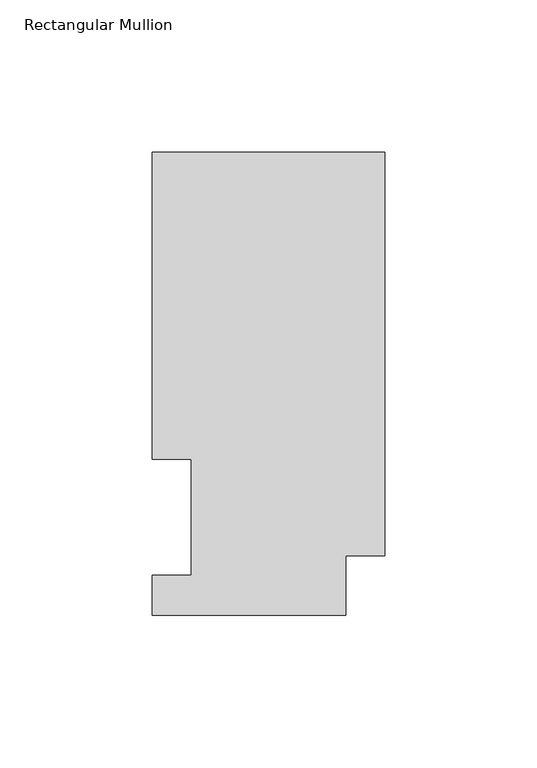
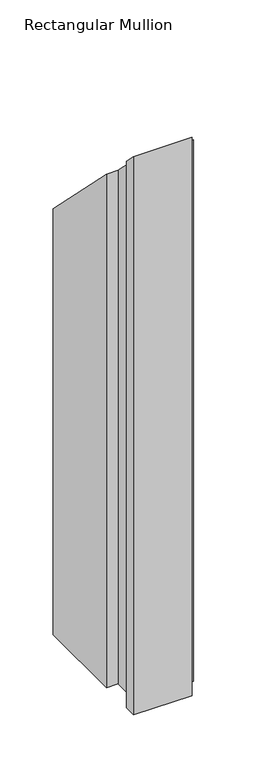
"""IFC4 building model written with IfcOpenShell, lengths in millimetres: member geometry, Rectangular Mullion."""

import ifcopenshell
import ifcopenshell.guid

model = None  # the IFC model being written
_history = None  # IfcOwnerHistory: only IFC2X3 demands one
_inside = {}  # id of a spatial element -> (the spatial element, [elements in it])
_under = {}  # id of a project, library or spatial element -> (it, [spatial elements below it])
_declared = {}  # id of a project -> (the project, [libraries it declares])
_typed = {}  # id of a type object -> (the type object, [elements of that type])
_made_of = {}  # id of a material, layer set ... -> (it, [elements and type objects made of it])


def new_model(schema):
    """Start an empty IFC model of exactly this schema.

    Asked for "IFC4X3", IfcOpenShell would pick the latest addendum, in which some entities
    have other attributes; the version numbers below select the first issue.
    IFC2X3 requires an IfcOwnerHistory on every rooted entity: one is made here for all.
    """
    global model, _history
    if schema == "IFC4X3":
        model = ifcopenshell.file(schema_version=(4, 3, 0, 0))
    else:
        model = ifcopenshell.file(schema=schema)
    _inside.clear()
    _under.clear()
    _declared.clear()
    _typed.clear()
    _made_of.clear()
    _history = None
    if model.schema == "IFC2X3":
        org = make("IfcOrganization", Name="unknown")
        user = make(
            "IfcPersonAndOrganization",
            ThePerson=make("IfcPerson", FamilyName="unknown"),
            TheOrganization=org,
        )
        app = make(
            "IfcApplication",
            ApplicationDeveloper=org,
            Version="unknown",
            ApplicationFullName="unknown",
            ApplicationIdentifier="unknown",
        )
        _history = make(
            "IfcOwnerHistory",
            OwningUser=user,
            OwningApplication=app,
            ChangeAction="ADDED",
            CreationDate=0,
        )
    return model


def make(cls, **values):
    """One entity of the class cls with the attributes given. An attribute that is None is left unset."""
    return model.create_entity(
        cls, **{name: value for name, value in values.items() if value is not None}
    )


def rooted(cls, **values):
    """An entity with a GlobalId (a new one), such as an element, a storey or a relation."""
    return make(cls, GlobalId=ifcopenshell.guid.new(), OwnerHistory=_history, **values)


def si_unit(unit_type, name, prefix=None):
    """IfcSIUnit, for example si_unit("LENGTHUNIT", "METRE", prefix="MILLI")."""
    return make("IfcSIUnit", UnitType=unit_type, Prefix=prefix, Name=name)


def assignment(units):
    """IfcUnitAssignment: the units of a project."""
    return None if units is None else make("IfcUnitAssignment", Units=units)


def point(xyz):
    """IfcCartesianPoint."""
    return None if xyz is None else make("IfcCartesianPoint", Coordinates=xyz)


def direction(xyz):
    """IfcDirection."""
    return None if xyz is None else make("IfcDirection", DirectionRatios=xyz)


def frame(location, z_axis=None, x_axis=None):
    """IfcAxis2Placement3D, a coordinate frame: its origin and axes. An axis left out is left unset."""
    return make(
        "IfcAxis2Placement3D",
        Location=point(location),
        Axis=direction(z_axis),
        RefDirection=direction(x_axis),
    )


def origin():
    """The frame at (0, 0, 0) with its axes left unset."""
    return frame((0.0, 0.0, 0.0))


def place(relative_to, where):
    """IfcLocalPlacement: puts the frame where relative to a parent placement (None: the world)."""
    return make(
        "IfcLocalPlacement", PlacementRelTo=relative_to, RelativePlacement=where
    )


def context(
    kind, dimensions, precision=None, world=None, true_north=None, identifier=None
):
    """IfcGeometricRepresentationContext, for example the 3D "Model" context."""
    return make(
        "IfcGeometricRepresentationContext",
        ContextIdentifier=identifier,
        ContextType=kind,
        CoordinateSpaceDimension=dimensions,
        Precision=precision,
        WorldCoordinateSystem=world,
        TrueNorth=true_north,
    )


def project(units=None, contexts=None):
    """IfcProject with its units and contexts."""
    return rooted(
        "IfcProject",
        Name="project",
        RepresentationContexts=contexts,
        UnitsInContext=assignment(units),
    )


def spatial(cls, under=None, at=None, **own):
    """A site, building, storey or space (cls), placed at a placement, below another one or the project."""
    s = rooted(cls, ObjectPlacement=at, **own)
    if under is not None:
        _under.setdefault(under.id(), (under, []))[1].append(s)
    return s


def faces_of(points, faces, orient=None, outer=None):
    """IfcFace entities. A face is a list of loops; a loop is a list of indices into points, from 0.

    orient and outer hold one flag for each loop. By default every Orientation is true, the
    first loop of a face is its IfcFaceOuterBound and the others are IfcFaceBound.
    """
    made = []
    for i, loops in enumerate(faces):
        bounds = []
        for j, loop in enumerate(loops):
            is_outer = j == 0 if outer is None else outer[i][j]
            bounds.append(
                make(
                    "IfcFaceOuterBound" if is_outer else "IfcFaceBound",
                    Bound=make("IfcPolyLoop", Polygon=[points[k] for k in loop]),
                    Orientation=True if orient is None else orient[i][j],
                )
            )
        made.append(make("IfcFace", Bounds=bounds))
    return made


def faceted_brep(points, faces, orient=None, outer=None, voids=None):
    """IfcFacetedBrep: a solid bounded by flat faces; with voids (closed shells), ...WithVoids."""
    shared = [point(p) for p in points]
    hull = make("IfcClosedShell", CfsFaces=faces_of(shared, faces, orient, outer))
    if voids is None:
        return make("IfcFacetedBrep", Outer=hull)
    return make(
        "IfcFacetedBrepWithVoids",
        Outer=hull,
        Voids=[
            make(cls, CfsFaces=faces_of(shared, fs, o, b)) for cls, fs, o, b in voids
        ],
    )


def shape(context_of_items, identifier, shape_type, items):
    """IfcShapeRepresentation: the items that make up one representation, for example the "Body"."""
    return make(
        "IfcShapeRepresentation",
        ContextOfItems=context_of_items,
        RepresentationIdentifier=identifier,
        RepresentationType=shape_type,
        Items=items,
    )


def source(mapping_origin, context_of_items, identifier, shape_type, items):
    """IfcRepresentationMap: a shape defined once, which mapped items show again and again."""
    return make(
        "IfcRepresentationMap",
        MappingOrigin=mapping_origin,
        MappedRepresentation=shape(context_of_items, identifier, shape_type, items),
    )


def transform(
    local_origin,
    x_axis=None,
    y_axis=None,
    z_axis=None,
    scale=None,
    scale2=None,
    scale3=None,
    uniform=True,
):
    """IfcCartesianTransformationOperator3D, or its non-uniform kind. x_axis, y_axis, z_axis: its Axis1, 2, 3."""
    if uniform:
        return make(
            "IfcCartesianTransformationOperator3D",
            Axis1=direction(x_axis),
            Axis2=direction(y_axis),
            LocalOrigin=point(local_origin),
            Scale=scale,
            Axis3=direction(z_axis),
        )
    return make(
        "IfcCartesianTransformationOperator3DnonUniform",
        Axis1=direction(x_axis),
        Axis2=direction(y_axis),
        LocalOrigin=point(local_origin),
        Scale=scale,
        Axis3=direction(z_axis),
        Scale2=scale2,
        Scale3=scale3,
    )


def mapped(mapping_source, mapping_target):
    """IfcMappedItem: shows the shape of a source again, moved by a transform."""
    return make(
        "IfcMappedItem", MappingSource=mapping_source, MappingTarget=mapping_target
    )


def made_of(thing, what):
    """Note that an element or type object is made of a material, layer set ...; save() writes the relation."""
    if what is not None:
        _made_of.setdefault(what.id(), (what, []))[1].append(thing)
    return thing


def element(
    cls,
    number,
    at=None,
    inside=None,
    cuts=None,
    type_object=None,
    material=None,
    context=None,
    identifier="Body",
    shape_type=None,
    held_by="IfcProductDefinitionShape",
    body=None,
    shapes=None,
    **own,
):
    """One element of the class cls, such as IfcWall. Its Tag is "e" and its number.

    at: its placement. inside: the storey or other place that contains it. cuts: it is an
    opening in that element (IfcRelVoidsElement). A single representation is given by context,
    identifier, shape_type and body (its items); several are given by shapes. held_by: the class
    of the entity that holds the representations. save() writes the other relations.
    """
    e = rooted(cls, Tag="e%d" % number, ObjectPlacement=at, **own)
    if body is not None:
        shapes = [shape(context, identifier, shape_type, body)]
    if shapes is not None:
        e.Representation = make(held_by, Representations=shapes)
    if inside is not None:
        _inside.setdefault(inside.id(), (inside, []))[1].append(e)
    if cuts is not None:
        rooted(
            "IfcRelVoidsElement", RelatingBuildingElement=cuts, RelatedOpeningElement=e
        )
    if type_object is not None:
        _typed.setdefault(type_object.id(), (type_object, []))[1].append(e)
    return made_of(e, material)


def aggregate(whole, parts):
    """IfcRelAggregates: a whole, such as a stair, and the parts it consists of."""
    return rooted("IfcRelAggregates", RelatingObject=whole, RelatedObjects=parts)


def save(model, path):
    """Write the relations noted so far, then the file.

    IfcRelAggregates (storeys below a building ...), IfcRelContainedInSpatialStructure (elements
    in a storey), IfcRelDefinesByType, IfcRelAssociatesMaterial and IfcRelDeclares: one each for
    every whole, place, type object, material and project.
    """
    for whole, parts in _under.values():
        aggregate(whole, parts)
    for where, things in _inside.values():
        rooted(
            "IfcRelContainedInSpatialStructure",
            RelatedElements=things,
            RelatingStructure=where,
        )
    for kind, things in _typed.values():
        rooted("IfcRelDefinesByType", RelatedObjects=things, RelatingType=kind)
    for what, things in _made_of.values():
        rooted("IfcRelAssociatesMaterial", RelatedObjects=things, RelatingMaterial=what)
    for by, libraries in _declared.values():
        rooted("IfcRelDeclares", RelatingContext=by, RelatedDefinitions=libraries)
    model.write(path)


def rectangular_mullion_e84b451b(model_context):
    return source(origin(), model_context, "Body", "Brep", [
        faceted_brep([(0.0, 151.8147517, -641.3500003), (0.0, 19.4553517, -641.3500003), (-12.7, 19.4553517, -641.3500003), (-12.7, -0.0772483, -641.3500003), (-76.2, -0.0772483, -641.3500003), (-76.2, 13.1053517, -641.3500003), (-63.5127, 13.1053517, -641.3500003), (-63.5127, 51.2053517, -641.3500003), (-76.2, 51.2053517, -641.3500003), (-76.2, 151.8147517, -641.3500003), (-76.2, 151.8147517, -151.8147517), (0.0, 151.8147517, -151.8147517), (-76.2, 51.2053517, -51.2053517), (-63.5127, 51.2053517, -51.2053517), (-63.5127, 13.1053517, -13.1053517), (-76.2, 13.1053517, -13.1053517), (-76.2, -0.0772483, 0.0772483), (-12.7, -0.0772483, 0.0772483), (-12.7, 19.4553517, -19.4553517), (0.0, 19.4553517, -19.4553517)], [[[0, 1, 2, 3, 4, 5, 6, 7, 8, 9]], [[10, 11, 0, 9]], [[12, 10, 9, 8]], [[13, 12, 8, 7]], [[14, 13, 7, 6]], [[15, 14, 6, 5]], [[16, 15, 5, 4]], [[17, 16, 4, 3]], [[18, 17, 3, 2]], [[19, 18, 2, 1]], [[11, 19, 1, 0]], [[11, 10, 12, 13, 14, 15, 16, 17, 18, 19]]]),
    ])


if __name__ == "__main__":
    model = new_model("IFC4")
    model_context = context("Model", 3, world=origin())
    ifc_project = project(units=[si_unit("LENGTHUNIT", "METRE", prefix="MILLI")], contexts=[model_context])
    site = spatial("IfcSite", under=ifc_project)
    building = spatial("IfcBuilding", under=site)
    placement = place(None, origin())
    rectangular_mullion_shape = rectangular_mullion_e84b451b(model_context)
    element("IfcMember", 1, ObjectType="Rectangular Mullion", at=placement, inside=building, context=model_context, shape_type="MappedRepresentation", body=[
        mapped(rectangular_mullion_shape, transform((0.0, 0.0, 0.0), x_axis=(1.0, 0.0, 0.0), y_axis=(0.0, 1.0, 0.0), z_axis=(0.0, 0.0, 1.0))),
    ])
    save(model, "model.ifc")
